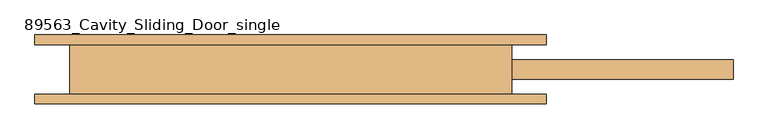
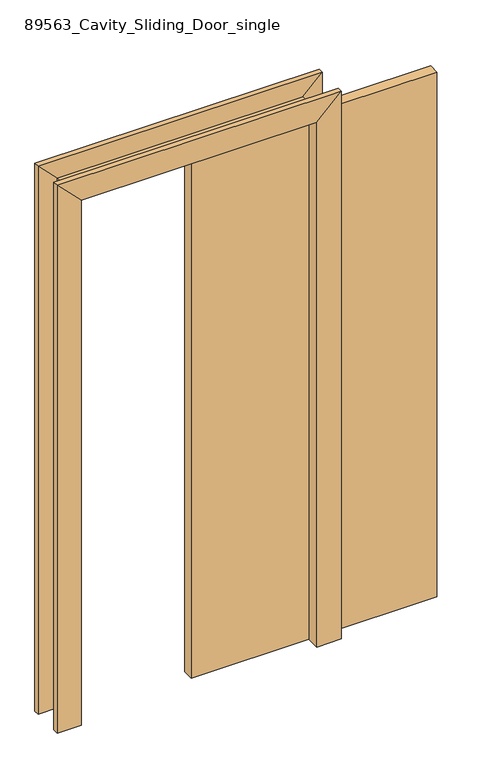
"""IFC4 building model written with IfcOpenShell, lengths in millimetres: door geometry, 89563_Cavity_Sliding_Door_single."""

from ifc_helpers import new_model, si_unit, origin, origin_with_axes, place, context, project, spatial, polyline, outline, extrude, faceted_brep, source, transform, mapped, element, save


def door_89563_cavity_sliding_door_single_6ed1922b(model_context):
    return source(origin(), model_context, "Body", "SolidModel", [
        extrude(outline(polyline([(908.0, -20.0), (0.0, -20.0), (0.0, 20.0), (908.0, 20.0), (908.0, -20.0)])), origin_with_axes(), (0.0, 0.0, 1.0), 2050.0),
        faceted_brep([(-435.0, 70.8, 0.0), (-435.0, -70.8, 0.0), (-525.0, -70.8, 0.0), (-525.0, -50.8, 0.0), (-454.0, -50.8, 0.0), (-454.0, 50.8, 0.0), (-525.0, 50.8, 0.0), (-525.0, 70.8, 0.0), (-435.0, 70.8, 2050.0), (-435.0, -70.8, 2050.0), (-525.0, -70.8, 2140.0), (-525.0, -50.8, 2140.0), (-454.0, -50.8, 2069.0), (-454.0, 50.8, 2069.0), (-525.0, 50.8, 2140.0), (-525.0, 70.8, 2140.0), (435.0, 70.8, 0.0), (525.0, 70.8, 0.0), (525.0, 50.8, 0.0), (454.0, 50.8, 0.0), (454.0, 20.0, 0.0), (435.0, 20.0, 0.0), (454.0, -50.8, 0.0), (525.0, -50.8, 0.0), (525.0, -70.8, 0.0), (435.0, -70.8, 0.0), (435.0, -20.0, 0.0), (454.0, -20.0, 0.0), (435.0, 70.8, 2050.0), (525.0, 70.8, 2140.0), (525.0, 50.8, 2140.0), (454.0, 50.8, 2069.0), (454.0, -50.8, 2069.0), (454.0, -20.0, 2050.0), (454.0, 20.0, 2050.0), (435.0, 20.0, 2050.0), (435.0, -70.8, 2050.0), (435.0, -20.0, 2050.0), (525.0, -50.8, 2140.0), (525.0, -70.8, 2140.0)], [[[0, 1, 2, 3, 4, 5, 6, 7]], [[1, 0, 8, 9]], [[2, 1, 9, 10]], [[3, 2, 10, 11]], [[4, 3, 11, 12]], [[5, 4, 12, 13]], [[6, 5, 13, 14]], [[7, 6, 14, 15]], [[0, 7, 15, 8]], [[16, 17, 18, 19, 20, 21]], [[22, 23, 24, 25, 26, 27]], [[28, 29, 17, 16]], [[29, 30, 18, 17]], [[30, 31, 19, 18]], [[31, 32, 22, 27, 33, 34, 20, 19]], [[34, 35, 21, 20]], [[28, 16, 21, 35]], [[25, 36, 37, 26]], [[32, 38, 23, 22]], [[38, 39, 24, 23]], [[39, 36, 25, 24]], [[37, 33, 27, 26]], [[9, 8, 28, 35, 34, 33, 37, 36]], [[10, 9, 36, 39]], [[11, 10, 39, 38]], [[12, 11, 38, 32]], [[13, 12, 32, 31]], [[14, 13, 31, 30]], [[15, 14, 30, 29]], [[8, 15, 29, 28]]]),
    ])


if __name__ == "__main__":
    model = new_model("IFC4")
    model_context = context("Model", 3, world=origin())
    ifc_project = project(units=[si_unit("LENGTHUNIT", "METRE", prefix="MILLI")], contexts=[model_context])
    site = spatial("IfcSite", under=ifc_project)
    building = spatial("IfcBuilding", under=site)
    placement = place(None, origin())
    door_89563_cavity_sliding_door_single_shape = door_89563_cavity_sliding_door_single_6ed1922b(model_context)
    element("IfcDoor", 1, ObjectType="89563_Cavity_Sliding_Door_single", at=placement, inside=building, context=model_context, shape_type="MappedRepresentation", body=[
        mapped(door_89563_cavity_sliding_door_single_shape, transform((0.0, 0.0, 0.0), x_axis=(1.0, 0.0, 0.0), y_axis=(0.0, 1.0, 0.0), z_axis=(0.0, 0.0, 1.0))),
    ])
    save(model, "model.ifc")
